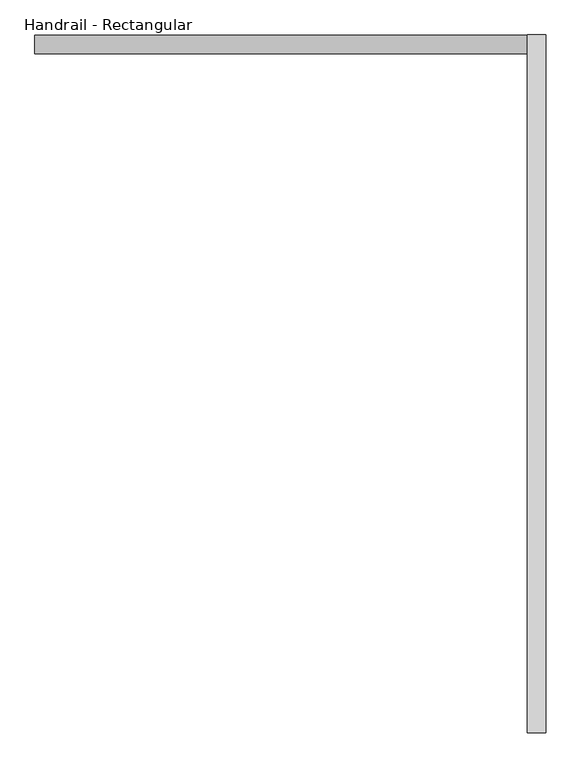
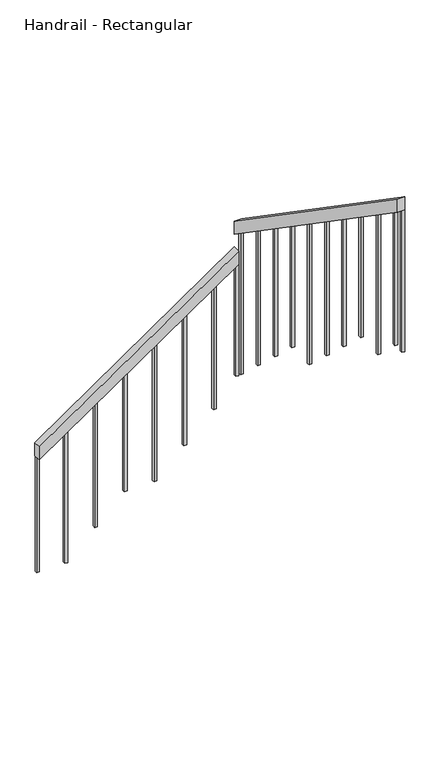
"""IFC4 building model written with IfcOpenShell, lengths in millimetres: railing geometry, Handrail - Rectangular."""

from ifc_helpers import new_model, si_unit, frame, origin, place, context, project, spatial, polyline, outline, extrude, source, transform, mapped, element, save


def handrail_rectangular_777a7de6(model_context):
    return source(origin(), model_context, "Body", "SweptSolid", [
        extrude(outline(polyline([(-1349.8857143, 1316.6034014), (-1442.3710156, 1316.6034014), (-519.4741902, 2658.3534014), (-426.9888889, 2658.3534014), (-1349.8857143, 1316.6034014)])), frame((0.0, 3497.2058469, 0.0), z_axis=(0.0, 1.0, 0.0), x_axis=(0.0, 0.0, 1.0)), (0.0, 0.0, 1.0), 50.8),
        extrude(outline(polyline([(3548.0058469, -243.0285714), (3548.0058469, -335.5138727), (1647.2058469, 971.9146987), (1647.2058469, 1064.4), (3548.0058469, -243.0285714)])), frame((2658.3534014, 0.0, 0.0), z_axis=(1.0, 0.0, 0.0), x_axis=(0.0, 1.0, 0.0)), (0.0, 0.0, 1.0), 50.8),
        extrude(outline(polyline([(1727.6808469, 916.5615241), (1746.7308469, 903.4583495), (1746.7308469, -35.7142857), (1727.6808469, -35.7142857), (1727.6808469, 916.5615241)])), frame((2688.8284014, 0.0, 0.0), z_axis=(1.0, 0.0, 0.0), x_axis=(0.0, 1.0, 0.0)), (0.0, 0.0, 1.0), 19.05),
        extrude(outline(polyline([(1927.6808469, 778.9953865), (1946.7308469, 765.8922119), (1946.7308469, -221.4285714), (1927.6808469, -221.4285714), (1927.6808469, 778.9953865)])), frame((2688.8284014, 0.0, 0.0), z_axis=(1.0, 0.0, 0.0), x_axis=(0.0, 1.0, 0.0)), (0.0, 0.0, 1.0), 19.05),
        extrude(outline(polyline([(2127.6808469, 641.429249), (2146.7308469, 628.3260744), (2146.7308469, -221.4285714), (2127.6808469, -221.4285714), (2127.6808469, 641.429249)])), frame((2688.8284014, 0.0, 0.0), z_axis=(1.0, 0.0, 0.0), x_axis=(0.0, 1.0, 0.0)), (0.0, 0.0, 1.0), 19.05),
        extrude(outline(polyline([(2327.6808469, 503.8631114), (2346.7308469, 490.7599368), (2346.7308469, -407.1428571), (2327.6808469, -407.1428571), (2327.6808469, 503.8631114)])), frame((2688.8284014, 0.0, 0.0), z_axis=(1.0, 0.0, 0.0), x_axis=(0.0, 1.0, 0.0)), (0.0, 0.0, 1.0), 19.05),
        extrude(outline(polyline([(2527.6808469, 366.2969738), (2546.7308469, 353.1937992), (2546.7308469, -592.8571429), (2527.6808469, -592.8571429), (2527.6808469, 366.2969738)])), frame((2688.8284014, 0.0, 0.0), z_axis=(1.0, 0.0, 0.0), x_axis=(0.0, 1.0, 0.0)), (0.0, 0.0, 1.0), 19.05),
        extrude(outline(polyline([(2727.6808469, 228.7308363), (2746.7308469, 215.6276617), (2746.7308469, -778.5714286), (2727.6808469, -778.5714286), (2727.6808469, 228.7308363)])), frame((2688.8284014, 0.0, 0.0), z_axis=(1.0, 0.0, 0.0), x_axis=(0.0, 1.0, 0.0)), (0.0, 0.0, 1.0), 19.05),
        extrude(outline(polyline([(2927.6808469, 91.1646987), (2946.7308469, 78.0615241), (2946.7308469, -778.5714286), (2927.6808469, -778.5714286), (2927.6808469, 91.1646987)])), frame((2688.8284014, 0.0, 0.0), z_axis=(1.0, 0.0, 0.0), x_axis=(0.0, 1.0, 0.0)), (0.0, 0.0, 1.0), 19.05),
        extrude(outline(polyline([(3127.6808469, -46.4014389), (3146.7308469, -59.5046135), (3146.7308469, -964.2857143), (3127.6808469, -964.2857143), (3127.6808469, -46.4014389)])), frame((2688.8284014, 0.0, 0.0), z_axis=(1.0, 0.0, 0.0), x_axis=(0.0, 1.0, 0.0)), (0.0, 0.0, 1.0), 19.05),
        extrude(outline(polyline([(3327.6808469, -183.9675764), (3346.7308469, -197.070751), (3346.7308469, -1150.0), (3327.6808469, -1150.0), (3327.6808469, -183.9675764)])), frame((2688.8284014, 0.0, 0.0), z_axis=(1.0, 0.0, 0.0), x_axis=(0.0, 1.0, 0.0)), (0.0, 0.0, 1.0), 19.05),
        extrude(outline(polyline([(-610.4226029, 2526.1284014), (-623.5257775, 2507.0784014), (-1521.4285714, 2507.0784014), (-1521.4285714, 2526.1284014), (-610.4226029, 2526.1284014)])), frame((0.0, 3527.6808469, 0.0), z_axis=(0.0, 1.0, 0.0), x_axis=(0.0, 0.0, 1.0)), (0.0, 0.0, 1.0), 19.05),
        extrude(outline(polyline([(-747.9887404, 2326.1284014), (-761.091915, 2307.0784014), (-1707.1428571, 2307.0784014), (-1707.1428571, 2326.1284014), (-747.9887404, 2326.1284014)])), frame((0.0, 3527.6808469, 0.0), z_axis=(0.0, 1.0, 0.0), x_axis=(0.0, 0.0, 1.0)), (0.0, 0.0, 1.0), 19.05),
        extrude(outline(polyline([(-885.554878, 2126.1284014), (-898.6580526, 2107.0784014), (-1892.8571429, 2107.0784014), (-1892.8571429, 2126.1284014), (-885.554878, 2126.1284014)])), frame((0.0, 3527.6808469, 0.0), z_axis=(0.0, 1.0, 0.0), x_axis=(0.0, 0.0, 1.0)), (0.0, 0.0, 1.0), 19.05),
        extrude(outline(polyline([(-1023.1210156, 1926.1284014), (-1036.2241902, 1907.0784014), (-1892.8571429, 1907.0784014), (-1892.8571429, 1926.1284014), (-1023.1210156, 1926.1284014)])), frame((0.0, 3527.6808469, 0.0), z_axis=(0.0, 1.0, 0.0), x_axis=(0.0, 0.0, 1.0)), (0.0, 0.0, 1.0), 19.05),
        extrude(outline(polyline([(-1160.6871531, 1726.1284014), (-1173.7903277, 1707.0784014), (-2078.5714286, 1707.0784014), (-2078.5714286, 1726.1284014), (-1160.6871531, 1726.1284014)])), frame((0.0, 3527.6808469, 0.0), z_axis=(0.0, 1.0, 0.0), x_axis=(0.0, 0.0, 1.0)), (0.0, 0.0, 1.0), 19.05),
        extrude(outline(polyline([(-1298.2532907, 1526.1284014), (-1311.3564653, 1507.0784014), (-2264.2857143, 1507.0784014), (-2264.2857143, 1526.1284014), (-1298.2532907, 1526.1284014)])), frame((0.0, 3527.6808469, 0.0), z_axis=(0.0, 1.0, 0.0), x_axis=(0.0, 0.0, 1.0)), (0.0, 0.0, 1.0), 19.05),
        extrude(outline(polyline([(3527.6808469, -321.533714), (3546.7308469, -334.6368886), (3546.7308469, -1335.7142857), (3527.6808469, -1335.7142857), (3527.6808469, -321.533714)])), frame((2688.8284014, 0.0, 0.0), z_axis=(1.0, 0.0, 0.0), x_axis=(0.0, 1.0, 0.0)), (0.0, 0.0, 1.0), 19.05),
        extrude(outline(polyline([(-507.2479997, 2676.1284014), (-520.3511743, 2657.0784014), (-1335.7142857, 2657.0784014), (-1335.7142857, 2676.1284014), (-507.2479997, 2676.1284014)])), frame((0.0, 3527.6808469, 0.0), z_axis=(0.0, 1.0, 0.0), x_axis=(0.0, 0.0, 1.0)), (0.0, 0.0, 1.0), 19.05),
        extrude(outline(polyline([(1647.1808469, 971.9146987), (1666.2308469, 958.8115241), (1666.2308469, -35.7142857), (1647.1808469, -35.7142857), (1647.1808469, 971.9146987)])), frame((2688.8284014, 0.0, 0.0), z_axis=(1.0, 0.0, 0.0), x_axis=(0.0, 1.0, 0.0)), (0.0, 0.0, 1.0), 19.05),
        extrude(outline(polyline([(-1429.267841, 1335.6284014), (-1442.3710156, 1316.5784014), (-2264.2857143, 1316.5784014), (-2264.2857143, 1335.6284014), (-1429.267841, 1335.6284014)])), frame((0.0, 3527.6808469, 0.0), z_axis=(0.0, 1.0, 0.0), x_axis=(0.0, 0.0, 1.0)), (0.0, 0.0, 1.0), 19.05),
    ])


if __name__ == "__main__":
    model = new_model("IFC4")
    model_context = context("Model", 3, world=origin())
    ifc_project = project(units=[si_unit("LENGTHUNIT", "METRE", prefix="MILLI")], contexts=[model_context])
    site = spatial("IfcSite", under=ifc_project)
    building = spatial("IfcBuilding", under=site)
    placement = place(None, origin())
    handrail_rectangular_shape = handrail_rectangular_777a7de6(model_context)
    element("IfcRailing", 1, ObjectType="Handrail - Rectangular", at=placement, inside=building, context=model_context, shape_type="MappedRepresentation", body=[
        mapped(handrail_rectangular_shape, transform((0.0, 0.0, 0.0), x_axis=(1.0, 0.0, 0.0), y_axis=(0.0, 1.0, 0.0), z_axis=(0.0, 0.0, 1.0))),
    ])
    save(model, "model.ifc")
